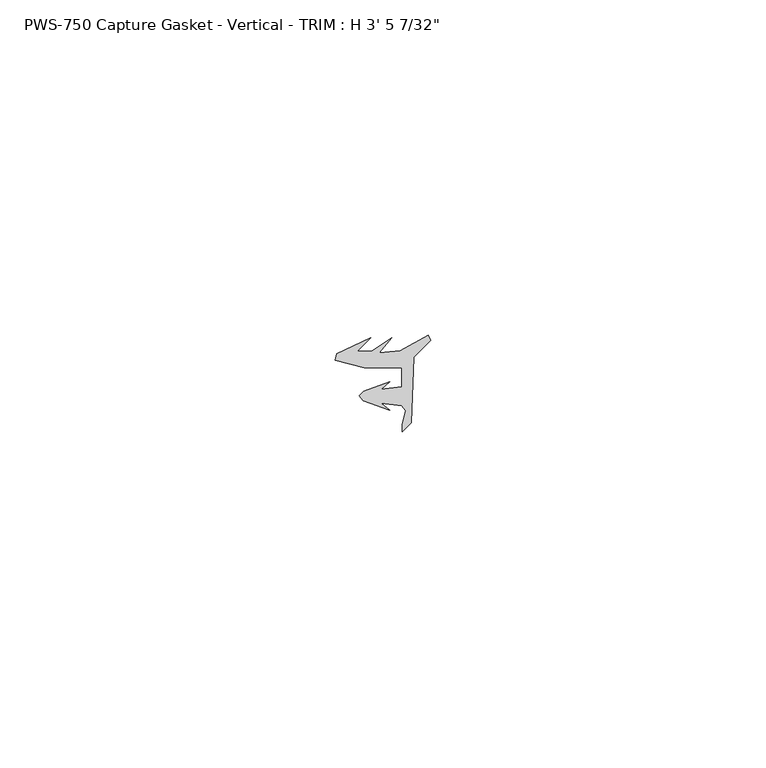
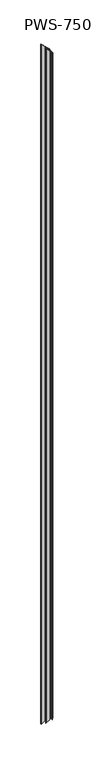
"""IFC4 building model written with IfcOpenShell, lengths in millimetres: proxy geometry."""

from ifc_helpers import new_model, si_unit, origin, place, context, project, spatial, faceted_brep, source, transform, mapped, element, save


def proxy_adf5403b(model_context):
    return source(origin(), model_context, "Body", "Brep", [
        faceted_brep([(10.5180104, 3.1126161, 1036.4382396), (10.5180104, 3.1126161, 10.5180104), (10.0363127, 1.1075685, 10.0363127), (10.0363127, 1.1075685, 1036.9199373), (10.0363127, 0.0, 10.0363127), (10.0363127, 0.0, 1036.9199373), (11.3945114, 1.3581987, 11.3945114), (11.3945114, 1.3581987, 1035.5617386), (11.7400908, 11.0876857, 11.7400908), (11.7400908, 11.0876857, 1035.2161592), (14.2921683, 13.6397632, 14.2921683), (14.2921683, 13.6397632, 1032.6640817), (13.9270181, 14.4184849, 13.9270181), (13.9270181, 14.4184849, 1033.0292319), (9.6912611, 12.0846322, 9.6912611), (9.6912611, 12.0846322, 1037.2649889), (6.5862777, 11.7844518, 6.5862777), (6.5862777, 11.7844518, 1040.3699723), (8.4293132, 14.0291241, 8.4293132), (8.4293132, 14.0291241, 1038.5269368), (5.4593479, 11.9730826, 5.4593479), (5.4593479, 11.9730826, 1041.4969021), (3.2925728, 11.9730826, 3.2925728), (3.2925728, 11.9730826, 1043.6636772), (5.3486143, 14.0291241, 5.3486143), (5.3486143, 14.0291241, 1041.6076357), (0.2465562, 11.6592287, 0.2465562), (0.2465562, 11.6592287, 1046.7096938), (0.0, 10.6566114, 0.0), (0.0, 10.6566114, 1046.95625), (4.3825047, 9.5788982, 4.3825047), (4.3825047, 9.5788982, 1042.5737453), (9.9694015, 9.5788982, 9.9694015), (9.9694015, 9.5788982, 1036.9868485), (9.9694015, 6.7342387, 9.9694015), (9.9694015, 6.7342387, 1036.9868485), (6.8541528, 6.3641713, 6.8541528), (6.8541528, 6.3641713, 1040.1020972), (8.1534683, 7.4537739, 8.1534683), (8.1534683, 7.4537739, 1038.8027817), (4.2455601, 6.061435, 4.2455601), (4.2455601, 6.061435, 1042.7106899), (3.6194015, 5.3411219, 3.6194015), (3.6194015, 5.3411219, 1043.3368485), (4.2087587, 4.5858484, 4.2087587), (4.2087587, 4.5858484, 1042.7474913), (8.1534683, 3.1803976, 8.1534683), (8.1534683, 3.1803976, 1038.8027817), (6.8541528, 4.2700002, 6.8541528), (6.8541528, 4.2700002, 1040.1020972), (9.9694015, 3.8999328, 9.9694015), (9.9694015, 3.8999328, 1036.9868485)], [[[0, 1, 2, 3]], [[3, 2, 4, 5]], [[5, 4, 6, 7]], [[7, 6, 8, 9]], [[9, 8, 10, 11]], [[11, 10, 12, 13]], [[13, 12, 14, 15]], [[15, 14, 16, 17]], [[17, 16, 18, 19]], [[19, 18, 20, 21]], [[21, 20, 22, 23]], [[23, 22, 24, 25]], [[25, 24, 26, 27]], [[28, 29, 27, 26]], [[29, 28, 30, 31]], [[31, 30, 32, 33]], [[33, 32, 34, 35]], [[35, 34, 36, 37]], [[37, 36, 38, 39]], [[39, 38, 40, 41]], [[41, 40, 42, 43]], [[43, 42, 44, 45]], [[45, 44, 46, 47]], [[47, 46, 48, 49]], [[49, 48, 50, 51]], [[1, 0, 51, 50]], [[2, 1, 50, 48, 46, 44, 42, 40, 38, 36, 34, 32, 30, 28, 26, 24, 22, 20, 18, 16, 14, 12, 10, 8, 6, 4]], [[0, 3, 5, 7, 9, 11, 13, 15, 17, 19, 21, 23, 25, 27, 29, 31, 33, 35, 37, 39, 41, 43, 45, 47, 49, 51]]]),
    ])


if __name__ == "__main__":
    model = new_model("IFC4")
    model_context = context("Model", 3, world=origin())
    ifc_project = project(units=[si_unit("LENGTHUNIT", "METRE", prefix="MILLI")], contexts=[model_context])
    site = spatial("IfcSite", under=ifc_project)
    building = spatial("IfcBuilding", under=site)
    placement = place(None, origin())
    proxy_shape = proxy_adf5403b(model_context)
    element("IfcBuildingElementProxy", 1, Name="PWS-750 Capture Gasket - Vertical - TRIM : H 3' 5 7/32\"", ObjectType="PWS-750 Capture Gasket - Vertical - TRIM : H 3' 5 7/32\"", at=placement, inside=building, context=model_context, shape_type="MappedRepresentation", body=[
        mapped(proxy_shape, transform((0.0, 0.0, 0.0), x_axis=(1.0, 0.0, 0.0), y_axis=(0.0, 1.0, 0.0), z_axis=(0.0, 0.0, 1.0))),
    ])
    save(model, "model.ifc")
